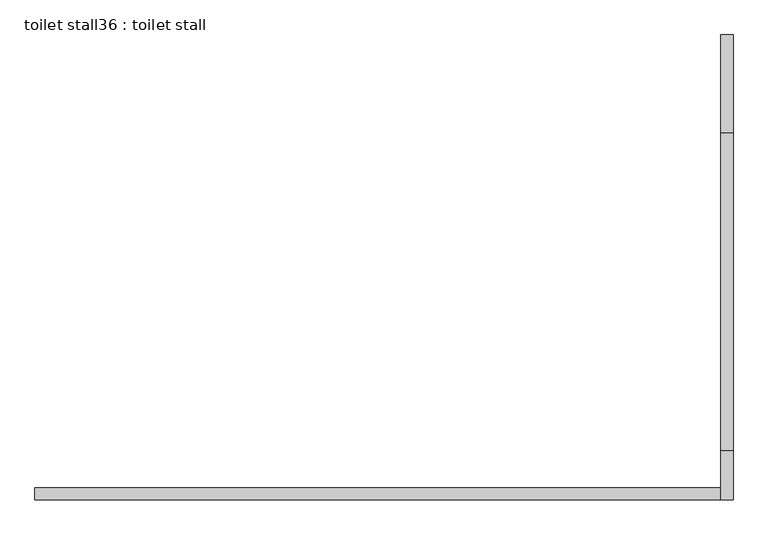
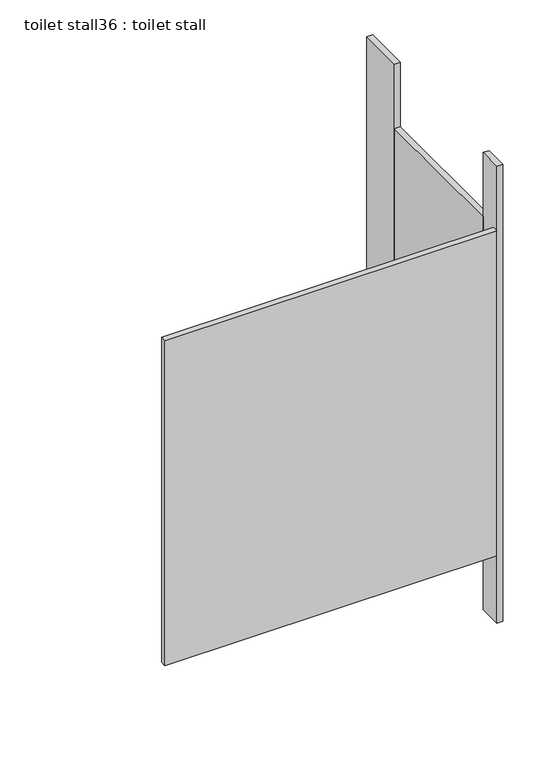
"""IFC4 building model written with IfcOpenShell, lengths in millimetres: proxy geometry, toilet stall36 : toilet stall."""

from ifc_helpers import new_model, si_unit, frame, origin, origin_with_axes, place, context, project, spatial, polyline, outline, extrude, source, transform, mapped, element, save


def toilet_stall36_toilet_stall_6bc958ab(model_context):
    return source(origin(), model_context, "Body", "SweptSolid", [
        extrude(outline(polyline([(458207.8504676, -334736.2955223), (458207.8504676, -334533.0955223), (458233.2504676, -334533.0955223), (458233.2504676, -334736.2955223), (458207.8504676, -334736.2955223)])), origin_with_axes(), (0.0, 0.0, 1.0), 2070.1),
        extrude(outline(polyline([(458207.8504676, -335498.2955223), (458207.8504676, -335396.6955223), (458233.2504676, -335396.6955223), (458233.2504676, -335498.2955223), (458207.8504676, -335498.2955223)])), origin_with_axes(), (0.0, 0.0, 1.0), 2070.1),
        extrude(outline(polyline([(458207.8504676, -335498.2955223), (456785.4504676, -335498.2955223), (456785.4504676, -335472.8955223), (458207.8504676, -335472.8955223), (458207.8504676, -335498.2955223)])), frame((0.0, 0.0, 304.8), z_axis=(0.0, 0.0, 1.0), x_axis=(1.0, 0.0, 0.0)), (0.0, 0.0, 1.0), 1473.2),
        extrude(outline(polyline([(458207.8504676, -335396.6955223), (458207.8504676, -334736.2955223), (458233.2504676, -334736.2955223), (458233.2504676, -335396.6955223), (458207.8504676, -335396.6955223)])), frame((0.0, 0.0, 304.8), z_axis=(0.0, 0.0, 1.0), x_axis=(1.0, 0.0, 0.0)), (0.0, 0.0, 1.0), 1473.2),
    ])


if __name__ == "__main__":
    model = new_model("IFC4")
    model_context = context("Model", 3, world=origin())
    ifc_project = project(units=[si_unit("LENGTHUNIT", "METRE", prefix="MILLI")], contexts=[model_context])
    site = spatial("IfcSite", under=ifc_project)
    building = spatial("IfcBuilding", under=site)
    placement = place(None, origin())
    toilet_stall36_toilet_stall_shape = toilet_stall36_toilet_stall_6bc958ab(model_context)
    element("IfcBuildingElementProxy", 1, Name="toilet stall36 : toilet stall", ObjectType="toilet stall36 : toilet stall", at=placement, inside=building, context=model_context, shape_type="MappedRepresentation", body=[
        mapped(toilet_stall36_toilet_stall_shape, transform((0.0, 0.0, 0.0), x_axis=(1.0, 0.0, 0.0), y_axis=(0.0, 1.0, 0.0), z_axis=(0.0, 0.0, 1.0))),
    ])
    save(model, "model.ifc")
